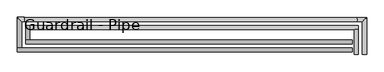
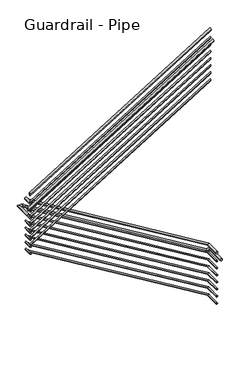
"""IFC4 building model written with IfcOpenShell, lengths in millimetres: railing geometry, Guardrail - Pipe."""

from ifc_helpers import new_model, si_unit, frame, origin, place, context, project, spatial, circle_curve, ellipse_curve, source, transform, mapped, element, save
from ifc_brep_helpers import plane_surface, cylinder_surface, advanced_brep


def guardrail_pipe_6fe1325a(model_context):
    return source(origin(), model_context, "Body", "AdvancedBrep", [
        advanced_brep(
        [(-10536.8064309, 2520.2151259, 1047.75), (-10574.9064309, 2520.2151259, 1047.75), (-10536.8064309, 2755.1651259, 1047.75), (-10574.9064309, 2755.1651259, 1047.75)],
        [
            (0, 1, circle_curve(frame((-10555.8564309, 2520.2151259, 1047.75), z_axis=(0.0, -1.0, 0.0), x_axis=(-1.0, 0.0, 0.0)), 19.05)),
            (1, 0, circle_curve(frame((-10555.8564309, 2520.2151259, 1047.75), z_axis=(0.0, -1.0, 0.0), x_axis=(-1.0, 0.0, 0.0)), 19.05)),
            (2, 3, circle_curve(frame((-10555.8564309, 2755.1651259, 1047.75), z_axis=(0.0, 1.0, 0.0), x_axis=(-1.0, 0.0, 0.0)), 19.05)),
            (3, 2, circle_curve(frame((-10555.8564309, 2755.1651259, 1047.75), z_axis=(0.0, 1.0, 0.0), x_axis=(-1.0, 0.0, 0.0)), 19.05)),
            (0, 2),
            (3, 1),
        ],
        [
            plane_surface(frame((-10555.8564309, 2520.2151259, 1066.8), z_axis=(0.0, -1.0, 0.0), x_axis=(0.0, 0.0, 1.0))),
            plane_surface(frame((-10555.8564309, 2755.1651259, 1066.8), z_axis=(0.0, 1.0, 0.0), x_axis=(0.0, 0.0, 1.0))),
            cylinder_surface(frame((-10555.8564309, 2520.2151259, 1047.75), z_axis=(0.0, -1.0, 0.0), x_axis=(-1.0, 0.0, 0.0)), 19.05),
        ],
        [
            (0, [[1, 2]]),
            (1, [[3, 4]]),
            (2, [[-1, 5, -4, 6]]),
            (2, [[-2, -6, -3, -5]]),
        ],
    ),
        advanced_brep(
        [(-10536.8064309, 2793.2651259, 1038.509645), (-10536.8064309, 2755.1651259, 1038.509645), (-13625.9612561, 2793.2651259, 2912.6127242), (-13625.9612561, 2755.1651259, 2912.6127242)],
        [
            (0, 1, ellipse_curve(frame((-10536.8064309, 2774.2151259, 1038.509645), z_axis=(1.0, 0.0, 0.0), x_axis=(0.0, 0.0, -1.0)), 22.2815844, 19.05)),
            (1, 0, ellipse_curve(frame((-10536.8064309, 2774.2151259, 1038.509645), z_axis=(1.0, 0.0, 0.0), x_axis=(0.0, 0.0, -1.0)), 22.2815844, 19.05)),
            (2, 3, ellipse_curve(frame((-13625.9612561, 2774.2151259, 2912.6127242), z_axis=(-1.0, 0.0, 0.0), x_axis=(0.0, 0.0, -1.0)), 22.2815844, 19.05)),
            (3, 2, ellipse_curve(frame((-13625.9612561, 2774.2151259, 2912.6127242), z_axis=(-1.0, 0.0, 0.0), x_axis=(0.0, 0.0, -1.0)), 22.2815844, 19.05)),
            (0, 2),
            (3, 1),
        ],
        [
            plane_surface(frame((-10536.8064309, 2774.2151259, 1060.7912294), z_axis=(1.0, 0.0, 0.0), x_axis=(0.0, -1.0, 0.0))),
            plane_surface(frame((-13625.9612561, 2774.2151259, 2934.8943086), z_axis=(-1.0, 0.0, 0.0), x_axis=(0.0, -1.0, 0.0))),
            cylinder_surface(frame((-10546.6873579, 2774.2151259, 1044.5041246), z_axis=(0.8549661303545566, 0.0, -0.5186838304271258), x_axis=(0.0, -1.0, 0.0)), 19.05),
        ],
        [
            (0, [[1, 2]]),
            (1, [[3, 4]]),
            (2, [[-1, 5, -4, 6]]),
            (2, [[-2, -6, -3, -5]]),
        ],
    ),
        advanced_brep(
        [(-13664.0612561, 2793.2651259, 2942.8108696), (-13625.9612561, 2793.2651259, 2942.8108696), (-13664.0612561, 2656.0904418, 2942.8108696), (-13625.9612561, 2656.0904418, 2942.8108696)],
        [
            (0, 1, circle_curve(frame((-13645.0112561, 2793.2651259, 2942.8108696), z_axis=(0.0, 1.0, 0.0), x_axis=(1.0, 0.0, 0.0)), 19.05)),
            (1, 0, circle_curve(frame((-13645.0112561, 2793.2651259, 2942.8108696), z_axis=(0.0, 1.0, 0.0), x_axis=(1.0, 0.0, 0.0)), 19.05)),
            (2, 3, circle_curve(frame((-13645.0112561, 2656.0904418, 2942.8108696), z_axis=(0.0, -1.0, 0.0), x_axis=(1.0, 0.0, 0.0)), 19.05)),
            (3, 2, circle_curve(frame((-13645.0112561, 2656.0904418, 2942.8108696), z_axis=(0.0, -1.0, 0.0), x_axis=(1.0, 0.0, 0.0)), 19.05)),
            (0, 2),
            (3, 1),
        ],
        [
            plane_surface(frame((-13645.0112561, 2793.2651259, 2961.8608696), z_axis=(0.0, 1.0, 0.0), x_axis=(0.0, 0.0, -1.0))),
            plane_surface(frame((-13645.0112561, 2656.0904418, 2961.8608696), z_axis=(0.0, -1.0, 0.0), x_axis=(0.0, 0.0, -1.0))),
            cylinder_surface(frame((-13645.0112561, 2793.2651259, 2942.8108696), z_axis=(0.0, 1.0, 0.0), x_axis=(1.0, 0.0, 0.0)), 19.05),
        ],
        [
            (0, [[1, 2]]),
            (1, [[3, 4]]),
            (2, [[-1, 5, -4, 6]]),
            (2, [[-2, -6, -3, -5]]),
        ],
    ),
        advanced_brep(
        [(-13664.0612561, 2617.9904418, 3115.674269), (-13664.0612561, 2656.0904418, 3115.674269), (-10597.0112561, 2617.9904418, 5006.8197236), (-10597.0112561, 2656.0904418, 5006.8197236)],
        [
            (0, 1, ellipse_curve(frame((-13664.0612561, 2637.0404418, 3115.674269), z_axis=(-1.0, 0.0, 0.0), x_axis=(0.0, 0.0, -1.0)), 22.3802764, 19.05)),
            (1, 0, ellipse_curve(frame((-13664.0612561, 2637.0404418, 3115.674269), z_axis=(-1.0, 0.0, 0.0), x_axis=(0.0, 0.0, -1.0)), 22.3802764, 19.05)),
            (2, 3, ellipse_curve(frame((-10597.0112561, 2637.0404418, 5006.8197236), z_axis=(1.0, 0.0, 0.0), x_axis=(0.0, 0.0, -1.0)), 22.3802764, 19.05)),
            (3, 2, ellipse_curve(frame((-10597.0112561, 2637.0404418, 5006.8197236), z_axis=(1.0, 0.0, 0.0), x_axis=(0.0, 0.0, -1.0)), 22.3802764, 19.05)),
            (0, 2),
            (3, 1),
        ],
        [
            plane_surface(frame((-13664.0612561, 2637.0404418, 3138.0545455), z_axis=(-1.0, 0.0, 0.0), x_axis=(0.0, 1.0, 0.0))),
            plane_surface(frame((-10597.0112561, 2637.0404418, 5029.2), z_axis=(1.0, 0.0, 0.0), x_axis=(0.0, 1.0, 0.0))),
            cylinder_surface(frame((-13654.0629003, 2637.0404418, 3121.8392632), z_axis=(-0.8511959207162862, 0.0, -0.5248480775957496), x_axis=(0.0, 1.0, 0.0)), 19.05),
        ],
        [
            (0, [[1, 2]]),
            (1, [[3, 4]]),
            (2, [[-1, 5, -4, 6]]),
            (2, [[-2, -6, -3, -5]]),
        ],
    ),
        advanced_brep(
        [(-10543.1564309, 2520.2151259, 901.7), (-10568.5564309, 2520.2151259, 901.7), (-10543.1564309, 2761.5151259, 901.7), (-10568.5564309, 2761.5151259, 901.7)],
        [
            (0, 1, circle_curve(frame((-10555.8564309, 2520.2151259, 901.7), z_axis=(0.0, -1.0, 0.0), x_axis=(-1.0, 0.0, 0.0)), 12.7)),
            (1, 0, circle_curve(frame((-10555.8564309, 2520.2151259, 901.7), z_axis=(0.0, -1.0, 0.0), x_axis=(-1.0, 0.0, 0.0)), 12.7)),
            (2, 3, circle_curve(frame((-10555.8564309, 2761.5151259, 901.7), z_axis=(0.0, 1.0, 0.0), x_axis=(-1.0, 0.0, 0.0)), 12.7)),
            (3, 2, circle_curve(frame((-10555.8564309, 2761.5151259, 901.7), z_axis=(0.0, 1.0, 0.0), x_axis=(-1.0, 0.0, 0.0)), 12.7)),
            (0, 2),
            (3, 1),
        ],
        [
            plane_surface(frame((-10555.8564309, 2520.2151259, 914.4), z_axis=(0.0, -1.0, 0.0), x_axis=(0.0, 0.0, 1.0))),
            plane_surface(frame((-10555.8564309, 2761.5151259, 914.4), z_axis=(0.0, 1.0, 0.0), x_axis=(0.0, 0.0, 1.0))),
            cylinder_surface(frame((-10555.8564309, 2520.2151259, 901.7), z_axis=(0.0, -1.0, 0.0), x_axis=(-1.0, 0.0, 0.0)), 12.7),
        ],
        [
            (0, [[1, 2]]),
            (1, [[3, 4]]),
            (2, [[-1, 5, -4, 6]]),
            (2, [[-2, -6, -3, -5]]),
        ],
    ),
        advanced_brep(
        [(-10543.1564309, 2786.9151259, 897.3892057), (-10543.1564309, 2761.5151259, 897.3892057), (-13632.3112561, 2786.9151259, 2771.4922849), (-13632.3112561, 2761.5151259, 2771.4922849)],
        [
            (0, 1, ellipse_curve(frame((-10543.1564309, 2774.2151259, 897.3892057), z_axis=(1.0, 0.0, 0.0), x_axis=(0.0, 0.0, -1.0)), 14.8543896, 12.7)),
            (1, 0, ellipse_curve(frame((-10543.1564309, 2774.2151259, 897.3892057), z_axis=(1.0, 0.0, 0.0), x_axis=(0.0, 0.0, -1.0)), 14.8543896, 12.7)),
            (2, 3, ellipse_curve(frame((-13632.3112561, 2774.2151259, 2771.4922849), z_axis=(-1.0, 0.0, 0.0), x_axis=(0.0, 0.0, -1.0)), 14.8543896, 12.7)),
            (3, 2, ellipse_curve(frame((-13632.3112561, 2774.2151259, 2771.4922849), z_axis=(-1.0, 0.0, 0.0), x_axis=(0.0, 0.0, -1.0)), 14.8543896, 12.7)),
            (0, 2),
            (3, 1),
        ],
        [
            plane_surface(frame((-10543.1564309, 2774.2151259, 912.2435953), z_axis=(1.0, 0.0, 0.0), x_axis=(0.0, -1.0, 0.0))),
            plane_surface(frame((-13632.3112561, 2774.2151259, 2786.3466745), z_axis=(-1.0, 0.0, 0.0), x_axis=(0.0, -1.0, 0.0))),
            cylinder_surface(frame((-10549.7437156, 2774.2151259, 901.3855254), z_axis=(0.8549661303545566, 0.0, -0.5186838304271258), x_axis=(0.0, -1.0, 0.0)), 12.7),
        ],
        [
            (0, [[1, 2]]),
            (1, [[3, 4]]),
            (2, [[-1, 5, -4, 6]]),
            (2, [[-2, -6, -3, -5]]),
        ],
    ),
        advanced_brep(
        [(-13657.7112561, 2786.9151259, 2796.7608696), (-13632.3112561, 2786.9151259, 2796.7608696), (-13657.7112561, 2649.7404418, 2796.7608696), (-13632.3112561, 2649.7404418, 2796.7608696)],
        [
            (0, 1, circle_curve(frame((-13645.0112561, 2786.9151259, 2796.7608696), z_axis=(0.0, 1.0, 0.0), x_axis=(1.0, 0.0, 0.0)), 12.7)),
            (1, 0, circle_curve(frame((-13645.0112561, 2786.9151259, 2796.7608696), z_axis=(0.0, 1.0, 0.0), x_axis=(1.0, 0.0, 0.0)), 12.7)),
            (2, 3, circle_curve(frame((-13645.0112561, 2649.7404418, 2796.7608696), z_axis=(0.0, -1.0, 0.0), x_axis=(1.0, 0.0, 0.0)), 12.7)),
            (3, 2, circle_curve(frame((-13645.0112561, 2649.7404418, 2796.7608696), z_axis=(0.0, -1.0, 0.0), x_axis=(1.0, 0.0, 0.0)), 12.7)),
            (0, 2),
            (3, 1),
        ],
        [
            plane_surface(frame((-13645.0112561, 2786.9151259, 2809.4608696), z_axis=(0.0, 1.0, 0.0), x_axis=(0.0, 0.0, -1.0))),
            plane_surface(frame((-13645.0112561, 2649.7404418, 2809.4608696), z_axis=(0.0, -1.0, 0.0), x_axis=(0.0, 0.0, -1.0))),
            cylinder_surface(frame((-13645.0112561, 2786.9151259, 2796.7608696), z_axis=(0.0, 1.0, 0.0), x_axis=(1.0, 0.0, 0.0)), 12.7),
        ],
        [
            (0, [[1, 2]]),
            (1, [[3, 4]]),
            (2, [[-1, 5, -4, 6]]),
            (2, [[-2, -6, -3, -5]]),
        ],
    ),
        advanced_brep(
        [(-13657.7112561, 2624.3404418, 2974.6497762), (-13657.7112561, 2649.7404418, 2974.6497762), (-10597.0112561, 2624.3404418, 4861.8798157), (-10597.0112561, 2649.7404418, 4861.8798157)],
        [
            (0, 1, ellipse_curve(frame((-13657.7112561, 2637.0404418, 2974.6497762), z_axis=(-1.0, 0.0, 0.0), x_axis=(0.0, 0.0, -1.0)), 14.9201843, 12.7)),
            (1, 0, ellipse_curve(frame((-13657.7112561, 2637.0404418, 2974.6497762), z_axis=(-1.0, 0.0, 0.0), x_axis=(0.0, 0.0, -1.0)), 14.9201843, 12.7)),
            (2, 3, ellipse_curve(frame((-10597.0112561, 2637.0404418, 4861.8798157), z_axis=(1.0, 0.0, 0.0), x_axis=(0.0, 0.0, -1.0)), 14.9201843, 12.7)),
            (3, 2, ellipse_curve(frame((-10597.0112561, 2637.0404418, 4861.8798157), z_axis=(1.0, 0.0, 0.0), x_axis=(0.0, 0.0, -1.0)), 14.9201843, 12.7)),
            (0, 2),
            (3, 1),
        ],
        [
            plane_surface(frame((-13657.7112561, 2637.0404418, 2989.5699605), z_axis=(-1.0, 0.0, 0.0), x_axis=(0.0, 1.0, 0.0))),
            plane_surface(frame((-10597.0112561, 2637.0404418, 4876.8), z_axis=(1.0, 0.0, 0.0), x_axis=(0.0, 1.0, 0.0))),
            cylinder_surface(frame((-13651.0456855, 2637.0404418, 2978.7597723), z_axis=(-0.8511959207162862, 0.0, -0.5248480775957496), x_axis=(0.0, 1.0, 0.0)), 12.7),
        ],
        [
            (0, [[1, 2]]),
            (1, [[3, 4]]),
            (2, [[-1, 5, -4, 6]]),
            (2, [[-2, -6, -3, -5]]),
        ],
    ),
        advanced_brep(
        [(-10460.6064309, 2520.2151259, 895.35), (-10498.7064309, 2520.2151259, 895.35), (-10460.6064309, 2869.4651259, 895.35), (-10498.7064309, 2831.3651259, 895.35), (-10552.0376568, 2869.4651259, 895.35), (-10552.0376568, 2831.3651259, 895.35), (-13675.7379987, 2869.4651259, 2790.4108696), (-13675.7379987, 2831.3651259, 2790.4108696), (-13740.2612561, 2869.4651259, 2790.4108696), (-13702.1612561, 2831.3651259, 2790.4108696), (-13740.2612561, 2579.8904418, 2790.4108696), (-13702.1612561, 2579.8904418, 2790.4108696)],
        [
            (0, 1, circle_curve(frame((-10479.6564309, 2520.2151259, 895.35), z_axis=(0.0, -1.0, 0.0), x_axis=(-1.0, 0.0, 0.0)), 19.05)),
            (1, 0, circle_curve(frame((-10479.6564309, 2520.2151259, 895.35), z_axis=(0.0, -1.0, 0.0), x_axis=(-1.0, 0.0, 0.0)), 19.05)),
            (0, 2),
            (2, 3, ellipse_curve(frame((-10479.6564309, 2850.4151259, 895.35), z_axis=(0.7071067811865462, -0.7071067811865488, 0.0), x_axis=(-0.7071067811865488, -0.7071067811865462, 0.0)), 26.9407684, 19.05)),
            (3, 1),
            (3, 2, ellipse_curve(frame((-10479.6564309, 2850.4151259, 895.35), z_axis=(0.7071067811865462, -0.7071067811865488, 0.0), x_axis=(-0.7071067811865488, -0.7071067811865462, 0.0)), 26.9407684, 19.05)),
            (2, 4),
            (4, 5, ellipse_curve(frame((-10552.0376568, 2850.4151259, 895.35), z_axis=(0.9630592220508967, 0.0, -0.269289685696875), x_axis=(0.2692896856968749, 0.0, 0.9630592220508967)), 19.780715, 19.05)),
            (5, 3),
            (5, 4, ellipse_curve(frame((-10552.0376568, 2850.4151259, 895.35), z_axis=(0.9630592220508967, 0.0, -0.269289685696875), x_axis=(0.2692896856968749, 0.0, 0.9630592220508967)), 19.780715, 19.05)),
            (4, 6),
            (6, 7, ellipse_curve(frame((-13675.7379987, 2850.4151259, 2790.4108696), z_axis=(0.9630592220508967, 0.0, -0.269289685696875), x_axis=(-0.2692896856968753, 0.0, -0.9630592220508964)), 19.780715, 19.05)),
            (7, 5),
            (7, 6, ellipse_curve(frame((-13675.7379987, 2850.4151259, 2790.4108696), z_axis=(0.9630592220508967, 0.0, -0.269289685696875), x_axis=(-0.2692896856968753, 0.0, -0.9630592220508964)), 19.780715, 19.05)),
            (6, 8),
            (8, 9, ellipse_curve(frame((-13721.2112561, 2850.4151259, 2790.4108696), z_axis=(0.7071067811865452, 0.7071067811865498, 0.0), x_axis=(0.7071067811865498, -0.7071067811865451, 0.0)), 26.9407684, 19.05)),
            (9, 7),
            (9, 8, ellipse_curve(frame((-13721.2112561, 2850.4151259, 2790.4108696), z_axis=(0.7071067811865452, 0.7071067811865498, 0.0), x_axis=(0.7071067811865498, -0.7071067811865451, 0.0)), 26.9407684, 19.05)),
            (10, 11, circle_curve(frame((-13721.2112561, 2579.8904418, 2790.4108696), z_axis=(0.0, -1.0, 0.0), x_axis=(1.0, 0.0, 0.0)), 19.05)),
            (11, 10, circle_curve(frame((-13721.2112561, 2579.8904418, 2790.4108696), z_axis=(0.0, -1.0, 0.0), x_axis=(1.0, 0.0, 0.0)), 19.05)),
            (8, 10),
            (11, 9),
        ],
        [
            plane_surface(frame((-10479.6564309, 2520.2151259, 914.4), z_axis=(0.0, -1.0, 0.0), x_axis=(0.0, 0.0, 1.0))),
            cylinder_surface(frame((-10479.6564309, 2520.2151259, 895.35), z_axis=(0.0, -1.0, 0.0), x_axis=(-1.0, 0.0, 0.0)), 19.05),
            cylinder_surface(frame((-10479.6564309, 2850.4151259, 895.35), z_axis=(1.0, 0.0, 0.0), x_axis=(0.0, -1.0, 0.0)), 19.05),
            cylinder_surface(frame((-10556.5918412, 2850.4151259, 898.1128952), z_axis=(0.8549661303545566, 0.0, -0.5186838304271258), x_axis=(0.0, -1.0, 0.0)), 19.05),
            cylinder_surface(frame((-13670.4112561, 2850.4151259, 2790.4108696), z_axis=(1.0, 0.0, 0.0), x_axis=(0.0, -1.0, 0.0)), 19.05),
            plane_surface(frame((-13721.2112561, 2579.8904418, 2809.4608696), z_axis=(0.0, -1.0, 0.0), x_axis=(0.0, 0.0, -1.0))),
            cylinder_surface(frame((-13721.2112561, 2850.4151259, 2790.4108696), z_axis=(0.0, 1.0, 0.0), x_axis=(1.0, 0.0, 0.0)), 19.05),
        ],
        [
            (0, [[1, 2]]),
            (1, [[-1, 3, 4, 5]]),
            (1, [[-2, -5, 6, -3]]),
            (2, [[-4, 7, 8, 9]]),
            (2, [[-6, -9, 10, -7]]),
            (3, [[-8, 11, 12, 13]]),
            (3, [[-10, -13, 14, -11]]),
            (4, [[-12, 15, 16, 17]]),
            (4, [[-14, -17, 18, -15]]),
            (5, [[19, 20]]),
            (6, [[-16, 21, -20, 22]]),
            (6, [[-18, -22, -19, -21]]),
        ],
    ),
        advanced_brep(
        [(-13740.2612561, 2541.7904418, 2916.2892888), (-13740.2612561, 2579.8904418, 2916.2892888), (-10597.0112561, 2541.7904418, 4854.4197236), (-10597.0112561, 2579.8904418, 4854.4197236)],
        [
            (0, 1, ellipse_curve(frame((-13740.2612561, 2560.8404418, 2916.2892888), z_axis=(-1.0, 0.0, 0.0), x_axis=(0.0, 0.0, -1.0)), 22.3802764, 19.05)),
            (1, 0, ellipse_curve(frame((-13740.2612561, 2560.8404418, 2916.2892888), z_axis=(-1.0, 0.0, 0.0), x_axis=(0.0, 0.0, -1.0)), 22.3802764, 19.05)),
            (2, 3, ellipse_curve(frame((-10597.0112561, 2560.8404418, 4854.4197236), z_axis=(1.0, 0.0, 0.0), x_axis=(0.0, 0.0, -1.0)), 22.3802764, 19.05)),
            (3, 2, ellipse_curve(frame((-10597.0112561, 2560.8404418, 4854.4197236), z_axis=(1.0, 0.0, 0.0), x_axis=(0.0, 0.0, -1.0)), 22.3802764, 19.05)),
            (0, 2),
            (3, 1),
        ],
        [
            plane_surface(frame((-13740.2612561, 2560.8404418, 2938.6695652), z_axis=(-1.0, 0.0, 0.0), x_axis=(0.0, 1.0, 0.0))),
            plane_surface(frame((-10597.0112561, 2560.8404418, 4876.8), z_axis=(1.0, 0.0, 0.0), x_axis=(0.0, 1.0, 0.0))),
            cylinder_surface(frame((-13730.2629003, 2560.8404418, 2922.4542829), z_axis=(-0.851195920716286, 0.0, -0.5248480775957498), x_axis=(0.0, 1.0, 0.0)), 19.05),
        ],
        [
            (0, [[1, 2]]),
            (1, [[3, 4]]),
            (2, [[-1, 5, -4, 6]]),
            (2, [[-2, -6, -3, -5]]),
        ],
    ),
        advanced_brep(
        [(-10543.1564309, 2520.2151259, 774.7), (-10568.5564309, 2520.2151259, 774.7), (-10543.1564309, 2761.5151259, 774.7), (-10568.5564309, 2761.5151259, 774.7)],
        [
            (0, 1, circle_curve(frame((-10555.8564309, 2520.2151259, 774.7), z_axis=(0.0, -1.0, 0.0), x_axis=(-1.0, 0.0, 0.0)), 12.7)),
            (1, 0, circle_curve(frame((-10555.8564309, 2520.2151259, 774.7), z_axis=(0.0, -1.0, 0.0), x_axis=(-1.0, 0.0, 0.0)), 12.7)),
            (2, 3, circle_curve(frame((-10555.8564309, 2761.5151259, 774.7), z_axis=(0.0, 1.0, 0.0), x_axis=(-1.0, 0.0, 0.0)), 12.7)),
            (3, 2, circle_curve(frame((-10555.8564309, 2761.5151259, 774.7), z_axis=(0.0, 1.0, 0.0), x_axis=(-1.0, 0.0, 0.0)), 12.7)),
            (0, 2),
            (3, 1),
        ],
        [
            plane_surface(frame((-10555.8564309, 2520.2151259, 787.4), z_axis=(0.0, -1.0, 0.0), x_axis=(0.0, 0.0, 1.0))),
            plane_surface(frame((-10555.8564309, 2761.5151259, 787.4), z_axis=(0.0, 1.0, 0.0), x_axis=(0.0, 0.0, 1.0))),
            cylinder_surface(frame((-10555.8564309, 2520.2151259, 774.7), z_axis=(0.0, -1.0, 0.0), x_axis=(-1.0, 0.0, 0.0)), 12.7),
        ],
        [
            (0, [[1, 2]]),
            (1, [[3, 4]]),
            (2, [[-1, 5, -4, 6]]),
            (2, [[-2, -6, -3, -5]]),
        ],
    ),
        advanced_brep(
        [(-10543.1564309, 2786.9151259, 770.3892057), (-10543.1564309, 2761.5151259, 770.3892057), (-13632.3112561, 2786.9151259, 2644.4922849), (-13632.3112561, 2761.5151259, 2644.4922849)],
        [
            (0, 1, ellipse_curve(frame((-10543.1564309, 2774.2151259, 770.3892057), z_axis=(1.0, 0.0, 0.0), x_axis=(0.0, 0.0, -1.0)), 14.8543896, 12.7)),
            (1, 0, ellipse_curve(frame((-10543.1564309, 2774.2151259, 770.3892057), z_axis=(1.0, 0.0, 0.0), x_axis=(0.0, 0.0, -1.0)), 14.8543896, 12.7)),
            (2, 3, ellipse_curve(frame((-13632.3112561, 2774.2151259, 2644.4922849), z_axis=(-1.0, 0.0, 0.0), x_axis=(0.0, 0.0, -1.0)), 14.8543896, 12.7)),
            (3, 2, ellipse_curve(frame((-13632.3112561, 2774.2151259, 2644.4922849), z_axis=(-1.0, 0.0, 0.0), x_axis=(0.0, 0.0, -1.0)), 14.8543896, 12.7)),
            (0, 2),
            (3, 1),
        ],
        [
            plane_surface(frame((-10543.1564309, 2774.2151259, 785.2435953), z_axis=(1.0, 0.0, 0.0), x_axis=(0.0, -1.0, 0.0))),
            plane_surface(frame((-13632.3112561, 2774.2151259, 2659.3466745), z_axis=(-1.0, 0.0, 0.0), x_axis=(0.0, -1.0, 0.0))),
            cylinder_surface(frame((-10549.7437156, 2774.2151259, 774.3855254), z_axis=(0.8549661303545567, 0.0, -0.5186838304271256), x_axis=(0.0, -1.0, 0.0)), 12.7),
        ],
        [
            (0, [[1, 2]]),
            (1, [[3, 4]]),
            (2, [[-1, 5, -4, 6]]),
            (2, [[-2, -6, -3, -5]]),
        ],
    ),
        advanced_brep(
        [(-13657.7112561, 2786.9151259, 2669.7608696), (-13632.3112561, 2786.9151259, 2669.7608696), (-13657.7112561, 2649.7404418, 2669.7608696), (-13632.3112561, 2649.7404418, 2669.7608696)],
        [
            (0, 1, circle_curve(frame((-13645.0112561, 2786.9151259, 2669.7608696), z_axis=(0.0, 1.0, 0.0), x_axis=(1.0, 0.0, 0.0)), 12.7)),
            (1, 0, circle_curve(frame((-13645.0112561, 2786.9151259, 2669.7608696), z_axis=(0.0, 1.0, 0.0), x_axis=(1.0, 0.0, 0.0)), 12.7)),
            (2, 3, circle_curve(frame((-13645.0112561, 2649.7404418, 2669.7608696), z_axis=(0.0, -1.0, 0.0), x_axis=(1.0, 0.0, 0.0)), 12.7)),
            (3, 2, circle_curve(frame((-13645.0112561, 2649.7404418, 2669.7608696), z_axis=(0.0, -1.0, 0.0), x_axis=(1.0, 0.0, 0.0)), 12.7)),
            (0, 2),
            (3, 1),
        ],
        [
            plane_surface(frame((-13645.0112561, 2786.9151259, 2682.4608696), z_axis=(0.0, 1.0, 0.0), x_axis=(0.0, 0.0, -1.0))),
            plane_surface(frame((-13645.0112561, 2649.7404418, 2682.4608696), z_axis=(0.0, -1.0, 0.0), x_axis=(0.0, 0.0, -1.0))),
            cylinder_surface(frame((-13645.0112561, 2786.9151259, 2669.7608696), z_axis=(0.0, 1.0, 0.0), x_axis=(1.0, 0.0, 0.0)), 12.7),
        ],
        [
            (0, [[1, 2]]),
            (1, [[3, 4]]),
            (2, [[-1, 5, -4, 6]]),
            (2, [[-2, -6, -3, -5]]),
        ],
    ),
        advanced_brep(
        [(-13657.7112561, 2624.3404418, 2847.6497762), (-13657.7112561, 2649.7404418, 2847.6497762), (-10597.0112561, 2624.3404418, 4734.8798157), (-10597.0112561, 2649.7404418, 4734.8798157)],
        [
            (0, 1, ellipse_curve(frame((-13657.7112561, 2637.0404418, 2847.6497762), z_axis=(-1.0, 0.0, 0.0), x_axis=(0.0, 0.0, -1.0)), 14.9201843, 12.7)),
            (1, 0, ellipse_curve(frame((-13657.7112561, 2637.0404418, 2847.6497762), z_axis=(-1.0, 0.0, 0.0), x_axis=(0.0, 0.0, -1.0)), 14.9201843, 12.7)),
            (2, 3, ellipse_curve(frame((-10597.0112561, 2637.0404418, 4734.8798157), z_axis=(1.0, 0.0, 0.0), x_axis=(0.0, 0.0, -1.0)), 14.9201843, 12.7)),
            (3, 2, ellipse_curve(frame((-10597.0112561, 2637.0404418, 4734.8798157), z_axis=(1.0, 0.0, 0.0), x_axis=(0.0, 0.0, -1.0)), 14.9201843, 12.7)),
            (0, 2),
            (3, 1),
        ],
        [
            plane_surface(frame((-13657.7112561, 2637.0404418, 2862.5699605), z_axis=(-1.0, 0.0, 0.0), x_axis=(0.0, 1.0, 0.0))),
            plane_surface(frame((-10597.0112561, 2637.0404418, 4749.8), z_axis=(1.0, 0.0, 0.0), x_axis=(0.0, 1.0, 0.0))),
            cylinder_surface(frame((-13651.0456855, 2637.0404418, 2851.7597723), z_axis=(-0.8511959207162862, 0.0, -0.5248480775957495), x_axis=(0.0, 1.0, 0.0)), 12.7),
        ],
        [
            (0, [[1, 2]]),
            (1, [[3, 4]]),
            (2, [[-1, 5, -4, 6]]),
            (2, [[-2, -6, -3, -5]]),
        ],
    ),
        advanced_brep(
        [(-10543.1564309, 2520.2151259, 647.7), (-10568.5564309, 2520.2151259, 647.7), (-10543.1564309, 2761.5151259, 647.7), (-10568.5564309, 2761.5151259, 647.7)],
        [
            (0, 1, circle_curve(frame((-10555.8564309, 2520.2151259, 647.7), z_axis=(0.0, -1.0, 0.0), x_axis=(-1.0, 0.0, 0.0)), 12.7)),
            (1, 0, circle_curve(frame((-10555.8564309, 2520.2151259, 647.7), z_axis=(0.0, -1.0, 0.0), x_axis=(-1.0, 0.0, 0.0)), 12.7)),
            (2, 3, circle_curve(frame((-10555.8564309, 2761.5151259, 647.7), z_axis=(0.0, 1.0, 0.0), x_axis=(-1.0, 0.0, 0.0)), 12.7)),
            (3, 2, circle_curve(frame((-10555.8564309, 2761.5151259, 647.7), z_axis=(0.0, 1.0, 0.0), x_axis=(-1.0, 0.0, 0.0)), 12.7)),
            (0, 2),
            (3, 1),
        ],
        [
            plane_surface(frame((-10555.8564309, 2520.2151259, 660.4), z_axis=(0.0, -1.0, 0.0), x_axis=(0.0, 0.0, 1.0))),
            plane_surface(frame((-10555.8564309, 2761.5151259, 660.4), z_axis=(0.0, 1.0, 0.0), x_axis=(0.0, 0.0, 1.0))),
            cylinder_surface(frame((-10555.8564309, 2520.2151259, 647.7), z_axis=(0.0, -1.0, 0.0), x_axis=(-1.0, 0.0, 0.0)), 12.7),
        ],
        [
            (0, [[1, 2]]),
            (1, [[3, 4]]),
            (2, [[-1, 5, -4, 6]]),
            (2, [[-2, -6, -3, -5]]),
        ],
    ),
        advanced_brep(
        [(-10543.1564309, 2786.9151259, 643.3892057), (-10543.1564309, 2761.5151259, 643.3892057), (-13632.3112561, 2786.9151259, 2517.4922849), (-13632.3112561, 2761.5151259, 2517.4922849)],
        [
            (0, 1, ellipse_curve(frame((-10543.1564309, 2774.2151259, 643.3892057), z_axis=(1.0, 0.0, 0.0), x_axis=(0.0, 0.0, -1.0)), 14.8543896, 12.7)),
            (1, 0, ellipse_curve(frame((-10543.1564309, 2774.2151259, 643.3892057), z_axis=(1.0, 0.0, 0.0), x_axis=(0.0, 0.0, -1.0)), 14.8543896, 12.7)),
            (2, 3, ellipse_curve(frame((-13632.3112561, 2774.2151259, 2517.4922849), z_axis=(-1.0, 0.0, 0.0), x_axis=(0.0, 0.0, -1.0)), 14.8543896, 12.7)),
            (3, 2, ellipse_curve(frame((-13632.3112561, 2774.2151259, 2517.4922849), z_axis=(-1.0, 0.0, 0.0), x_axis=(0.0, 0.0, -1.0)), 14.8543896, 12.7)),
            (0, 2),
            (3, 1),
        ],
        [
            plane_surface(frame((-10543.1564309, 2774.2151259, 658.2435953), z_axis=(1.0, 0.0, 0.0), x_axis=(0.0, -1.0, 0.0))),
            plane_surface(frame((-13632.3112561, 2774.2151259, 2532.3466745), z_axis=(-1.0, 0.0, 0.0), x_axis=(0.0, -1.0, 0.0))),
            cylinder_surface(frame((-10549.7437156, 2774.2151259, 647.3855254), z_axis=(0.8549661303545567, 0.0, -0.5186838304271257), x_axis=(0.0, -1.0, 0.0)), 12.7),
        ],
        [
            (0, [[1, 2]]),
            (1, [[3, 4]]),
            (2, [[-1, 5, -4, 6]]),
            (2, [[-2, -6, -3, -5]]),
        ],
    ),
        advanced_brep(
        [(-13657.7112561, 2786.9151259, 2542.7608696), (-13632.3112561, 2786.9151259, 2542.7608696), (-13657.7112561, 2649.7404418, 2542.7608696), (-13632.3112561, 2649.7404418, 2542.7608696)],
        [
            (0, 1, circle_curve(frame((-13645.0112561, 2786.9151259, 2542.7608696), z_axis=(0.0, 1.0, 0.0), x_axis=(1.0, 0.0, 0.0)), 12.7)),
            (1, 0, circle_curve(frame((-13645.0112561, 2786.9151259, 2542.7608696), z_axis=(0.0, 1.0, 0.0), x_axis=(1.0, 0.0, 0.0)), 12.7)),
            (2, 3, circle_curve(frame((-13645.0112561, 2649.7404418, 2542.7608696), z_axis=(0.0, -1.0, 0.0), x_axis=(1.0, 0.0, 0.0)), 12.7)),
            (3, 2, circle_curve(frame((-13645.0112561, 2649.7404418, 2542.7608696), z_axis=(0.0, -1.0, 0.0), x_axis=(1.0, 0.0, 0.0)), 12.7)),
            (0, 2),
            (3, 1),
        ],
        [
            plane_surface(frame((-13645.0112561, 2786.9151259, 2555.4608696), z_axis=(0.0, 1.0, 0.0), x_axis=(0.0, 0.0, -1.0))),
            plane_surface(frame((-13645.0112561, 2649.7404418, 2555.4608696), z_axis=(0.0, -1.0, 0.0), x_axis=(0.0, 0.0, -1.0))),
            cylinder_surface(frame((-13645.0112561, 2786.9151259, 2542.7608696), z_axis=(0.0, 1.0, 0.0), x_axis=(1.0, 0.0, 0.0)), 12.7),
        ],
        [
            (0, [[1, 2]]),
            (1, [[3, 4]]),
            (2, [[-1, 5, -4, 6]]),
            (2, [[-2, -6, -3, -5]]),
        ],
    ),
        advanced_brep(
        [(-13657.7112561, 2624.3404418, 2720.6497762), (-13657.7112561, 2649.7404418, 2720.6497762), (-10597.0112561, 2624.3404418, 4607.8798157), (-10597.0112561, 2649.7404418, 4607.8798157)],
        [
            (0, 1, ellipse_curve(frame((-13657.7112561, 2637.0404418, 2720.6497762), z_axis=(-1.0, 0.0, 0.0), x_axis=(0.0, 0.0, -1.0)), 14.9201843, 12.7)),
            (1, 0, ellipse_curve(frame((-13657.7112561, 2637.0404418, 2720.6497762), z_axis=(-1.0, 0.0, 0.0), x_axis=(0.0, 0.0, -1.0)), 14.9201843, 12.7)),
            (2, 3, ellipse_curve(frame((-10597.0112561, 2637.0404418, 4607.8798157), z_axis=(1.0, 0.0, 0.0), x_axis=(0.0, 0.0, -1.0)), 14.9201843, 12.7)),
            (3, 2, ellipse_curve(frame((-10597.0112561, 2637.0404418, 4607.8798157), z_axis=(1.0, 0.0, 0.0), x_axis=(0.0, 0.0, -1.0)), 14.9201843, 12.7)),
            (0, 2),
            (3, 1),
        ],
        [
            plane_surface(frame((-13657.7112561, 2637.0404418, 2735.5699605), z_axis=(-1.0, 0.0, 0.0), x_axis=(0.0, 1.0, 0.0))),
            plane_surface(frame((-10597.0112561, 2637.0404418, 4622.8), z_axis=(1.0, 0.0, 0.0), x_axis=(0.0, 1.0, 0.0))),
            cylinder_surface(frame((-13651.0456855, 2637.0404418, 2724.7597723), z_axis=(-0.8511959207162862, 0.0, -0.5248480775957496), x_axis=(0.0, 1.0, 0.0)), 12.7),
        ],
        [
            (0, [[1, 2]]),
            (1, [[3, 4]]),
            (2, [[-1, 5, -4, 6]]),
            (2, [[-2, -6, -3, -5]]),
        ],
    ),
        advanced_brep(
        [(-10543.1564309, 2520.2151259, 520.7), (-10568.5564309, 2520.2151259, 520.7), (-10543.1564309, 2761.5151259, 520.7), (-10568.5564309, 2761.5151259, 520.7)],
        [
            (0, 1, circle_curve(frame((-10555.8564309, 2520.2151259, 520.7), z_axis=(0.0, -1.0, 0.0), x_axis=(-1.0, 0.0, 0.0)), 12.7)),
            (1, 0, circle_curve(frame((-10555.8564309, 2520.2151259, 520.7), z_axis=(0.0, -1.0, 0.0), x_axis=(-1.0, 0.0, 0.0)), 12.7)),
            (2, 3, circle_curve(frame((-10555.8564309, 2761.5151259, 520.7), z_axis=(0.0, 1.0, 0.0), x_axis=(-1.0, 0.0, 0.0)), 12.7)),
            (3, 2, circle_curve(frame((-10555.8564309, 2761.5151259, 520.7), z_axis=(0.0, 1.0, 0.0), x_axis=(-1.0, 0.0, 0.0)), 12.7)),
            (0, 2),
            (3, 1),
        ],
        [
            plane_surface(frame((-10555.8564309, 2520.2151259, 533.4), z_axis=(0.0, -1.0, 0.0), x_axis=(0.0, 0.0, 1.0))),
            plane_surface(frame((-10555.8564309, 2761.5151259, 533.4), z_axis=(0.0, 1.0, 0.0), x_axis=(0.0, 0.0, 1.0))),
            cylinder_surface(frame((-10555.8564309, 2520.2151259, 520.7), z_axis=(0.0, -1.0, 0.0), x_axis=(-1.0, 0.0, 0.0)), 12.7),
        ],
        [
            (0, [[1, 2]]),
            (1, [[3, 4]]),
            (2, [[-1, 5, -4, 6]]),
            (2, [[-2, -6, -3, -5]]),
        ],
    ),
        advanced_brep(
        [(-10543.1564309, 2786.9151259, 516.3892057), (-10543.1564309, 2761.5151259, 516.3892057), (-13632.3112561, 2786.9151259, 2390.4922849), (-13632.3112561, 2761.5151259, 2390.4922849)],
        [
            (0, 1, ellipse_curve(frame((-10543.1564309, 2774.2151259, 516.3892057), z_axis=(1.0, 0.0, 0.0), x_axis=(0.0, 0.0, -1.0)), 14.8543896, 12.7)),
            (1, 0, ellipse_curve(frame((-10543.1564309, 2774.2151259, 516.3892057), z_axis=(1.0, 0.0, 0.0), x_axis=(0.0, 0.0, -1.0)), 14.8543896, 12.7)),
            (2, 3, ellipse_curve(frame((-13632.3112561, 2774.2151259, 2390.4922849), z_axis=(-1.0, 0.0, 0.0), x_axis=(0.0, 0.0, -1.0)), 14.8543896, 12.7)),
            (3, 2, ellipse_curve(frame((-13632.3112561, 2774.2151259, 2390.4922849), z_axis=(-1.0, 0.0, 0.0), x_axis=(0.0, 0.0, -1.0)), 14.8543896, 12.7)),
            (0, 2),
            (3, 1),
        ],
        [
            plane_surface(frame((-10543.1564309, 2774.2151259, 531.2435953), z_axis=(1.0, 0.0, 0.0), x_axis=(0.0, -1.0, 0.0))),
            plane_surface(frame((-13632.3112561, 2774.2151259, 2405.3466745), z_axis=(-1.0, 0.0, 0.0), x_axis=(0.0, -1.0, 0.0))),
            cylinder_surface(frame((-10549.7437156, 2774.2151259, 520.3855254), z_axis=(0.8549661303545566, 0.0, -0.5186838304271258), x_axis=(0.0, -1.0, 0.0)), 12.7),
        ],
        [
            (0, [[1, 2]]),
            (1, [[3, 4]]),
            (2, [[-1, 5, -4, 6]]),
            (2, [[-2, -6, -3, -5]]),
        ],
    ),
        advanced_brep(
        [(-13657.7112561, 2786.9151259, 2415.7608696), (-13632.3112561, 2786.9151259, 2415.7608696), (-13657.7112561, 2649.7404418, 2415.7608696), (-13632.3112561, 2649.7404418, 2415.7608696)],
        [
            (0, 1, circle_curve(frame((-13645.0112561, 2786.9151259, 2415.7608696), z_axis=(0.0, 1.0, 0.0), x_axis=(1.0, 0.0, 0.0)), 12.7)),
            (1, 0, circle_curve(frame((-13645.0112561, 2786.9151259, 2415.7608696), z_axis=(0.0, 1.0, 0.0), x_axis=(1.0, 0.0, 0.0)), 12.7)),
            (2, 3, circle_curve(frame((-13645.0112561, 2649.7404418, 2415.7608696), z_axis=(0.0, -1.0, 0.0), x_axis=(1.0, 0.0, 0.0)), 12.7)),
            (3, 2, circle_curve(frame((-13645.0112561, 2649.7404418, 2415.7608696), z_axis=(0.0, -1.0, 0.0), x_axis=(1.0, 0.0, 0.0)), 12.7)),
            (0, 2),
            (3, 1),
        ],
        [
            plane_surface(frame((-13645.0112561, 2786.9151259, 2428.4608696), z_axis=(0.0, 1.0, 0.0), x_axis=(0.0, 0.0, -1.0))),
            plane_surface(frame((-13645.0112561, 2649.7404418, 2428.4608696), z_axis=(0.0, -1.0, 0.0), x_axis=(0.0, 0.0, -1.0))),
            cylinder_surface(frame((-13645.0112561, 2786.9151259, 2415.7608696), z_axis=(0.0, 1.0, 0.0), x_axis=(1.0, 0.0, 0.0)), 12.7),
        ],
        [
            (0, [[1, 2]]),
            (1, [[3, 4]]),
            (2, [[-1, 5, -4, 6]]),
            (2, [[-2, -6, -3, -5]]),
        ],
    ),
        advanced_brep(
        [(-13657.7112561, 2624.3404418, 2593.6497762), (-13657.7112561, 2649.7404418, 2593.6497762), (-10597.0112561, 2624.3404418, 4480.8798157), (-10597.0112561, 2649.7404418, 4480.8798157)],
        [
            (0, 1, ellipse_curve(frame((-13657.7112561, 2637.0404418, 2593.6497762), z_axis=(-1.0, 0.0, 0.0), x_axis=(0.0, 0.0, -1.0)), 14.9201843, 12.7)),
            (1, 0, ellipse_curve(frame((-13657.7112561, 2637.0404418, 2593.6497762), z_axis=(-1.0, 0.0, 0.0), x_axis=(0.0, 0.0, -1.0)), 14.9201843, 12.7)),
            (2, 3, ellipse_curve(frame((-10597.0112561, 2637.0404418, 4480.8798157), z_axis=(1.0, 0.0, 0.0), x_axis=(0.0, 0.0, -1.0)), 14.9201843, 12.7)),
            (3, 2, ellipse_curve(frame((-10597.0112561, 2637.0404418, 4480.8798157), z_axis=(1.0, 0.0, 0.0), x_axis=(0.0, 0.0, -1.0)), 14.9201843, 12.7)),
            (0, 2),
            (3, 1),
        ],
        [
            plane_surface(frame((-13657.7112561, 2637.0404418, 2608.5699605), z_axis=(-1.0, 0.0, 0.0), x_axis=(0.0, 1.0, 0.0))),
            plane_surface(frame((-10597.0112561, 2637.0404418, 4495.8), z_axis=(1.0, 0.0, 0.0), x_axis=(0.0, 1.0, 0.0))),
            cylinder_surface(frame((-13651.0456855, 2637.0404418, 2597.7597723), z_axis=(-0.8511959207162862, 0.0, -0.5248480775957496), x_axis=(0.0, 1.0, 0.0)), 12.7),
        ],
        [
            (0, [[1, 2]]),
            (1, [[3, 4]]),
            (2, [[-1, 5, -4, 6]]),
            (2, [[-2, -6, -3, -5]]),
        ],
    ),
        advanced_brep(
        [(-10543.1564309, 2520.2151259, 393.7), (-10568.5564309, 2520.2151259, 393.7), (-10543.1564309, 2761.5151259, 393.7), (-10568.5564309, 2761.5151259, 393.7)],
        [
            (0, 1, circle_curve(frame((-10555.8564309, 2520.2151259, 393.7), z_axis=(0.0, -1.0, 0.0), x_axis=(-1.0, 0.0, 0.0)), 12.7)),
            (1, 0, circle_curve(frame((-10555.8564309, 2520.2151259, 393.7), z_axis=(0.0, -1.0, 0.0), x_axis=(-1.0, 0.0, 0.0)), 12.7)),
            (2, 3, circle_curve(frame((-10555.8564309, 2761.5151259, 393.7), z_axis=(0.0, 1.0, 0.0), x_axis=(-1.0, 0.0, 0.0)), 12.7)),
            (3, 2, circle_curve(frame((-10555.8564309, 2761.5151259, 393.7), z_axis=(0.0, 1.0, 0.0), x_axis=(-1.0, 0.0, 0.0)), 12.7)),
            (0, 2),
            (3, 1),
        ],
        [
            plane_surface(frame((-10555.8564309, 2520.2151259, 406.4), z_axis=(0.0, -1.0, 0.0), x_axis=(0.0, 0.0, 1.0))),
            plane_surface(frame((-10555.8564309, 2761.5151259, 406.4), z_axis=(0.0, 1.0, 0.0), x_axis=(0.0, 0.0, 1.0))),
            cylinder_surface(frame((-10555.8564309, 2520.2151259, 393.7), z_axis=(0.0, -1.0, 0.0), x_axis=(-1.0, 0.0, 0.0)), 12.7),
        ],
        [
            (0, [[1, 2]]),
            (1, [[3, 4]]),
            (2, [[-1, 5, -4, 6]]),
            (2, [[-2, -6, -3, -5]]),
        ],
    ),
        advanced_brep(
        [(-10543.1564309, 2786.9151259, 389.3892057), (-10543.1564309, 2761.5151259, 389.3892057), (-13632.3112561, 2786.9151259, 2263.4922849), (-13632.3112561, 2761.5151259, 2263.4922849)],
        [
            (0, 1, ellipse_curve(frame((-10543.1564309, 2774.2151259, 389.3892057), z_axis=(1.0, 0.0, 0.0), x_axis=(0.0, 0.0, -1.0)), 14.8543896, 12.7)),
            (1, 0, ellipse_curve(frame((-10543.1564309, 2774.2151259, 389.3892057), z_axis=(1.0, 0.0, 0.0), x_axis=(0.0, 0.0, -1.0)), 14.8543896, 12.7)),
            (2, 3, ellipse_curve(frame((-13632.3112561, 2774.2151259, 2263.4922849), z_axis=(-1.0, 0.0, 0.0), x_axis=(0.0, 0.0, -1.0)), 14.8543896, 12.7)),
            (3, 2, ellipse_curve(frame((-13632.3112561, 2774.2151259, 2263.4922849), z_axis=(-1.0, 0.0, 0.0), x_axis=(0.0, 0.0, -1.0)), 14.8543896, 12.7)),
            (0, 2),
            (3, 1),
        ],
        [
            plane_surface(frame((-10543.1564309, 2774.2151259, 404.2435953), z_axis=(1.0, 0.0, 0.0), x_axis=(0.0, -1.0, 0.0))),
            plane_surface(frame((-13632.3112561, 2774.2151259, 2278.3466745), z_axis=(-1.0, 0.0, 0.0), x_axis=(0.0, -1.0, 0.0))),
            cylinder_surface(frame((-10549.7437156, 2774.2151259, 393.3855254), z_axis=(0.8549661303545566, 0.0, -0.5186838304271258), x_axis=(0.0, -1.0, 0.0)), 12.7),
        ],
        [
            (0, [[1, 2]]),
            (1, [[3, 4]]),
            (2, [[-1, 5, -4, 6]]),
            (2, [[-2, -6, -3, -5]]),
        ],
    ),
        advanced_brep(
        [(-13657.7112561, 2786.9151259, 2288.7608696), (-13632.3112561, 2786.9151259, 2288.7608696), (-13657.7112561, 2649.7404418, 2288.7608696), (-13632.3112561, 2649.7404418, 2288.7608696)],
        [
            (0, 1, circle_curve(frame((-13645.0112561, 2786.9151259, 2288.7608696), z_axis=(0.0, 1.0, 0.0), x_axis=(1.0, 0.0, 0.0)), 12.7)),
            (1, 0, circle_curve(frame((-13645.0112561, 2786.9151259, 2288.7608696), z_axis=(0.0, 1.0, 0.0), x_axis=(1.0, 0.0, 0.0)), 12.7)),
            (2, 3, circle_curve(frame((-13645.0112561, 2649.7404418, 2288.7608696), z_axis=(0.0, -1.0, 0.0), x_axis=(1.0, 0.0, 0.0)), 12.7)),
            (3, 2, circle_curve(frame((-13645.0112561, 2649.7404418, 2288.7608696), z_axis=(0.0, -1.0, 0.0), x_axis=(1.0, 0.0, 0.0)), 12.7)),
            (0, 2),
            (3, 1),
        ],
        [
            plane_surface(frame((-13645.0112561, 2786.9151259, 2301.4608696), z_axis=(0.0, 1.0, 0.0), x_axis=(0.0, 0.0, -1.0))),
            plane_surface(frame((-13645.0112561, 2649.7404418, 2301.4608696), z_axis=(0.0, -1.0, 0.0), x_axis=(0.0, 0.0, -1.0))),
            cylinder_surface(frame((-13645.0112561, 2786.9151259, 2288.7608696), z_axis=(0.0, 1.0, 0.0), x_axis=(1.0, 0.0, 0.0)), 12.7),
        ],
        [
            (0, [[1, 2]]),
            (1, [[3, 4]]),
            (2, [[-1, 5, -4, 6]]),
            (2, [[-2, -6, -3, -5]]),
        ],
    ),
        advanced_brep(
        [(-13657.7112561, 2624.3404418, 2466.6497762), (-13657.7112561, 2649.7404418, 2466.6497762), (-10597.0112561, 2624.3404418, 4353.8798157), (-10597.0112561, 2649.7404418, 4353.8798157)],
        [
            (0, 1, ellipse_curve(frame((-13657.7112561, 2637.0404418, 2466.6497762), z_axis=(-1.0, 0.0, 0.0), x_axis=(0.0, 0.0, -1.0)), 14.9201843, 12.7)),
            (1, 0, ellipse_curve(frame((-13657.7112561, 2637.0404418, 2466.6497762), z_axis=(-1.0, 0.0, 0.0), x_axis=(0.0, 0.0, -1.0)), 14.9201843, 12.7)),
            (2, 3, ellipse_curve(frame((-10597.0112561, 2637.0404418, 4353.8798157), z_axis=(1.0, 0.0, 0.0), x_axis=(0.0, 0.0, -1.0)), 14.9201843, 12.7)),
            (3, 2, ellipse_curve(frame((-10597.0112561, 2637.0404418, 4353.8798157), z_axis=(1.0, 0.0, 0.0), x_axis=(0.0, 0.0, -1.0)), 14.9201843, 12.7)),
            (0, 2),
            (3, 1),
        ],
        [
            plane_surface(frame((-13657.7112561, 2637.0404418, 2481.5699605), z_axis=(-1.0, 0.0, 0.0), x_axis=(0.0, 1.0, 0.0))),
            plane_surface(frame((-10597.0112561, 2637.0404418, 4368.8), z_axis=(1.0, 0.0, 0.0), x_axis=(0.0, 1.0, 0.0))),
            cylinder_surface(frame((-13651.0456855, 2637.0404418, 2470.7597723), z_axis=(-0.8511959207162862, 0.0, -0.5248480775957496), x_axis=(0.0, 1.0, 0.0)), 12.7),
        ],
        [
            (0, [[1, 2]]),
            (1, [[3, 4]]),
            (2, [[-1, 5, -4, 6]]),
            (2, [[-2, -6, -3, -5]]),
        ],
    ),
        advanced_brep(
        [(-10543.1564309, 2520.2151259, 266.7), (-10568.5564309, 2520.2151259, 266.7), (-10543.1564309, 2761.5151259, 266.7), (-10568.5564309, 2761.5151259, 266.7)],
        [
            (0, 1, circle_curve(frame((-10555.8564309, 2520.2151259, 266.7), z_axis=(0.0, -1.0, 0.0), x_axis=(-1.0, 0.0, 0.0)), 12.7)),
            (1, 0, circle_curve(frame((-10555.8564309, 2520.2151259, 266.7), z_axis=(0.0, -1.0, 0.0), x_axis=(-1.0, 0.0, 0.0)), 12.7)),
            (2, 3, circle_curve(frame((-10555.8564309, 2761.5151259, 266.7), z_axis=(0.0, 1.0, 0.0), x_axis=(-1.0, 0.0, 0.0)), 12.7)),
            (3, 2, circle_curve(frame((-10555.8564309, 2761.5151259, 266.7), z_axis=(0.0, 1.0, 0.0), x_axis=(-1.0, 0.0, 0.0)), 12.7)),
            (0, 2),
            (3, 1),
        ],
        [
            plane_surface(frame((-10555.8564309, 2520.2151259, 279.4), z_axis=(0.0, -1.0, 0.0), x_axis=(0.0, 0.0, 1.0))),
            plane_surface(frame((-10555.8564309, 2761.5151259, 279.4), z_axis=(0.0, 1.0, 0.0), x_axis=(0.0, 0.0, 1.0))),
            cylinder_surface(frame((-10555.8564309, 2520.2151259, 266.7), z_axis=(0.0, -1.0, 0.0), x_axis=(-1.0, 0.0, 0.0)), 12.7),
        ],
        [
            (0, [[1, 2]]),
            (1, [[3, 4]]),
            (2, [[-1, 5, -4, 6]]),
            (2, [[-2, -6, -3, -5]]),
        ],
    ),
        advanced_brep(
        [(-10543.1564309, 2786.9151259, 262.3892057), (-10543.1564309, 2761.5151259, 262.3892057), (-13632.3112561, 2786.9151259, 2136.4922849), (-13632.3112561, 2761.5151259, 2136.4922849)],
        [
            (0, 1, ellipse_curve(frame((-10543.1564309, 2774.2151259, 262.3892057), z_axis=(1.0, 0.0, 0.0), x_axis=(0.0, 0.0, -1.0)), 14.8543896, 12.7)),
            (1, 0, ellipse_curve(frame((-10543.1564309, 2774.2151259, 262.3892057), z_axis=(1.0, 0.0, 0.0), x_axis=(0.0, 0.0, -1.0)), 14.8543896, 12.7)),
            (2, 3, ellipse_curve(frame((-13632.3112561, 2774.2151259, 2136.4922849), z_axis=(-1.0, 0.0, 0.0), x_axis=(0.0, 0.0, -1.0)), 14.8543896, 12.7)),
            (3, 2, ellipse_curve(frame((-13632.3112561, 2774.2151259, 2136.4922849), z_axis=(-1.0, 0.0, 0.0), x_axis=(0.0, 0.0, -1.0)), 14.8543896, 12.7)),
            (0, 2),
            (3, 1),
        ],
        [
            plane_surface(frame((-10543.1564309, 2774.2151259, 277.2435953), z_axis=(1.0, 0.0, 0.0), x_axis=(0.0, -1.0, 0.0))),
            plane_surface(frame((-13632.3112561, 2774.2151259, 2151.3466745), z_axis=(-1.0, 0.0, 0.0), x_axis=(0.0, -1.0, 0.0))),
            cylinder_surface(frame((-10549.7437156, 2774.2151259, 266.3855254), z_axis=(0.8549661303545566, 0.0, -0.5186838304271258), x_axis=(0.0, -1.0, 0.0)), 12.7),
        ],
        [
            (0, [[1, 2]]),
            (1, [[3, 4]]),
            (2, [[-1, 5, -4, 6]]),
            (2, [[-2, -6, -3, -5]]),
        ],
    ),
        advanced_brep(
        [(-13657.7112561, 2786.9151259, 2161.7608696), (-13632.3112561, 2786.9151259, 2161.7608696), (-13657.7112561, 2649.7404418, 2161.7608696), (-13632.3112561, 2649.7404418, 2161.7608696)],
        [
            (0, 1, circle_curve(frame((-13645.0112561, 2786.9151259, 2161.7608696), z_axis=(0.0, 1.0, 0.0), x_axis=(1.0, 0.0, 0.0)), 12.7)),
            (1, 0, circle_curve(frame((-13645.0112561, 2786.9151259, 2161.7608696), z_axis=(0.0, 1.0, 0.0), x_axis=(1.0, 0.0, 0.0)), 12.7)),
            (2, 3, circle_curve(frame((-13645.0112561, 2649.7404418, 2161.7608696), z_axis=(0.0, -1.0, 0.0), x_axis=(1.0, 0.0, 0.0)), 12.7)),
            (3, 2, circle_curve(frame((-13645.0112561, 2649.7404418, 2161.7608696), z_axis=(0.0, -1.0, 0.0), x_axis=(1.0, 0.0, 0.0)), 12.7)),
            (0, 2),
            (3, 1),
        ],
        [
            plane_surface(frame((-13645.0112561, 2786.9151259, 2174.4608696), z_axis=(0.0, 1.0, 0.0), x_axis=(0.0, 0.0, -1.0))),
            plane_surface(frame((-13645.0112561, 2649.7404418, 2174.4608696), z_axis=(0.0, -1.0, 0.0), x_axis=(0.0, 0.0, -1.0))),
            cylinder_surface(frame((-13645.0112561, 2786.9151259, 2161.7608696), z_axis=(0.0, 1.0, 0.0), x_axis=(1.0, 0.0, 0.0)), 12.7),
        ],
        [
            (0, [[1, 2]]),
            (1, [[3, 4]]),
            (2, [[-1, 5, -4, 6]]),
            (2, [[-2, -6, -3, -5]]),
        ],
    ),
        advanced_brep(
        [(-13657.7112561, 2624.3404418, 2339.6497762), (-13657.7112561, 2649.7404418, 2339.6497762), (-10597.0112561, 2624.3404418, 4226.8798157), (-10597.0112561, 2649.7404418, 4226.8798157)],
        [
            (0, 1, ellipse_curve(frame((-13657.7112561, 2637.0404418, 2339.6497762), z_axis=(-1.0, 0.0, 0.0), x_axis=(0.0, 0.0, -1.0)), 14.9201843, 12.7)),
            (1, 0, ellipse_curve(frame((-13657.7112561, 2637.0404418, 2339.6497762), z_axis=(-1.0, 0.0, 0.0), x_axis=(0.0, 0.0, -1.0)), 14.9201843, 12.7)),
            (2, 3, ellipse_curve(frame((-10597.0112561, 2637.0404418, 4226.8798157), z_axis=(1.0, 0.0, 0.0), x_axis=(0.0, 0.0, -1.0)), 14.9201843, 12.7)),
            (3, 2, ellipse_curve(frame((-10597.0112561, 2637.0404418, 4226.8798157), z_axis=(1.0, 0.0, 0.0), x_axis=(0.0, 0.0, -1.0)), 14.9201843, 12.7)),
            (0, 2),
            (3, 1),
        ],
        [
            plane_surface(frame((-13657.7112561, 2637.0404418, 2354.5699605), z_axis=(-1.0, 0.0, 0.0), x_axis=(0.0, 1.0, 0.0))),
            plane_surface(frame((-10597.0112561, 2637.0404418, 4241.8), z_axis=(1.0, 0.0, 0.0), x_axis=(0.0, 1.0, 0.0))),
            cylinder_surface(frame((-13651.0456855, 2637.0404418, 2343.7597723), z_axis=(-0.8511959207162862, 0.0, -0.5248480775957495), x_axis=(0.0, 1.0, 0.0)), 12.7),
        ],
        [
            (0, [[1, 2]]),
            (1, [[3, 4]]),
            (2, [[-1, 5, -4, 6]]),
            (2, [[-2, -6, -3, -5]]),
        ],
    ),
        advanced_brep(
        [(-10543.1564309, 2520.2151259, 139.7), (-10568.5564309, 2520.2151259, 139.7), (-10543.1564309, 2761.5151259, 139.7), (-10568.5564309, 2761.5151259, 139.7)],
        [
            (0, 1, circle_curve(frame((-10555.8564309, 2520.2151259, 139.7), z_axis=(0.0, -1.0, 0.0), x_axis=(-1.0, 0.0, 0.0)), 12.7)),
            (1, 0, circle_curve(frame((-10555.8564309, 2520.2151259, 139.7), z_axis=(0.0, -1.0, 0.0), x_axis=(-1.0, 0.0, 0.0)), 12.7)),
            (2, 3, circle_curve(frame((-10555.8564309, 2761.5151259, 139.7), z_axis=(0.0, 1.0, 0.0), x_axis=(-1.0, 0.0, 0.0)), 12.7)),
            (3, 2, circle_curve(frame((-10555.8564309, 2761.5151259, 139.7), z_axis=(0.0, 1.0, 0.0), x_axis=(-1.0, 0.0, 0.0)), 12.7)),
            (0, 2),
            (3, 1),
        ],
        [
            plane_surface(frame((-10555.8564309, 2520.2151259, 152.4), z_axis=(0.0, -1.0, 0.0), x_axis=(0.0, 0.0, 1.0))),
            plane_surface(frame((-10555.8564309, 2761.5151259, 152.4), z_axis=(0.0, 1.0, 0.0), x_axis=(0.0, 0.0, 1.0))),
            cylinder_surface(frame((-10555.8564309, 2520.2151259, 139.7), z_axis=(0.0, -1.0, 0.0), x_axis=(-1.0, 0.0, 0.0)), 12.7),
        ],
        [
            (0, [[1, 2]]),
            (1, [[3, 4]]),
            (2, [[-1, 5, -4, 6]]),
            (2, [[-2, -6, -3, -5]]),
        ],
    ),
        advanced_brep(
        [(-10543.1564309, 2786.9151259, 135.3892057), (-10543.1564309, 2761.5151259, 135.3892057), (-13632.3112561, 2786.9151259, 2009.4922849), (-13632.3112561, 2761.5151259, 2009.4922849)],
        [
            (0, 1, ellipse_curve(frame((-10543.1564309, 2774.2151259, 135.3892057), z_axis=(1.0, 0.0, 0.0), x_axis=(0.0, 0.0, -1.0)), 14.8543896, 12.7)),
            (1, 0, ellipse_curve(frame((-10543.1564309, 2774.2151259, 135.3892057), z_axis=(1.0, 0.0, 0.0), x_axis=(0.0, 0.0, -1.0)), 14.8543896, 12.7)),
            (2, 3, ellipse_curve(frame((-13632.3112561, 2774.2151259, 2009.4922849), z_axis=(-1.0, 0.0, 0.0), x_axis=(0.0, 0.0, -1.0)), 14.8543896, 12.7)),
            (3, 2, ellipse_curve(frame((-13632.3112561, 2774.2151259, 2009.4922849), z_axis=(-1.0, 0.0, 0.0), x_axis=(0.0, 0.0, -1.0)), 14.8543896, 12.7)),
            (0, 2),
            (3, 1),
        ],
        [
            plane_surface(frame((-10543.1564309, 2774.2151259, 150.2435953), z_axis=(1.0, 0.0, 0.0), x_axis=(0.0, -1.0, 0.0))),
            plane_surface(frame((-13632.3112561, 2774.2151259, 2024.3466745), z_axis=(-1.0, 0.0, 0.0), x_axis=(0.0, -1.0, 0.0))),
            cylinder_surface(frame((-10549.7437156, 2774.2151259, 139.3855254), z_axis=(0.8549661303545566, 0.0, -0.5186838304271258), x_axis=(0.0, -1.0, 0.0)), 12.7),
        ],
        [
            (0, [[1, 2]]),
            (1, [[3, 4]]),
            (2, [[-1, 5, -4, 6]]),
            (2, [[-2, -6, -3, -5]]),
        ],
    ),
        advanced_brep(
        [(-13657.7112561, 2786.9151259, 2034.7608696), (-13632.3112561, 2786.9151259, 2034.7608696), (-13657.7112561, 2649.7404418, 2034.7608696), (-13632.3112561, 2649.7404418, 2034.7608696)],
        [
            (0, 1, circle_curve(frame((-13645.0112561, 2786.9151259, 2034.7608696), z_axis=(0.0, 1.0, 0.0), x_axis=(1.0, 0.0, 0.0)), 12.7)),
            (1, 0, circle_curve(frame((-13645.0112561, 2786.9151259, 2034.7608696), z_axis=(0.0, 1.0, 0.0), x_axis=(1.0, 0.0, 0.0)), 12.7)),
            (2, 3, circle_curve(frame((-13645.0112561, 2649.7404418, 2034.7608696), z_axis=(0.0, -1.0, 0.0), x_axis=(1.0, 0.0, 0.0)), 12.7)),
            (3, 2, circle_curve(frame((-13645.0112561, 2649.7404418, 2034.7608696), z_axis=(0.0, -1.0, 0.0), x_axis=(1.0, 0.0, 0.0)), 12.7)),
            (0, 2),
            (3, 1),
        ],
        [
            plane_surface(frame((-13645.0112561, 2786.9151259, 2047.4608696), z_axis=(0.0, 1.0, 0.0), x_axis=(0.0, 0.0, -1.0))),
            plane_surface(frame((-13645.0112561, 2649.7404418, 2047.4608696), z_axis=(0.0, -1.0, 0.0), x_axis=(0.0, 0.0, -1.0))),
            cylinder_surface(frame((-13645.0112561, 2786.9151259, 2034.7608696), z_axis=(0.0, 1.0, 0.0), x_axis=(1.0, 0.0, 0.0)), 12.7),
        ],
        [
            (0, [[1, 2]]),
            (1, [[3, 4]]),
            (2, [[-1, 5, -4, 6]]),
            (2, [[-2, -6, -3, -5]]),
        ],
    ),
        advanced_brep(
        [(-13657.7112561, 2624.3404418, 2212.6497762), (-13657.7112561, 2649.7404418, 2212.6497762), (-10597.0112561, 2624.3404418, 4099.8798157), (-10597.0112561, 2649.7404418, 4099.8798157)],
        [
            (0, 1, ellipse_curve(frame((-13657.7112561, 2637.0404418, 2212.6497762), z_axis=(-1.0, 0.0, 0.0), x_axis=(0.0, 0.0, -1.0)), 14.9201843, 12.7)),
            (1, 0, ellipse_curve(frame((-13657.7112561, 2637.0404418, 2212.6497762), z_axis=(-1.0, 0.0, 0.0), x_axis=(0.0, 0.0, -1.0)), 14.9201843, 12.7)),
            (2, 3, ellipse_curve(frame((-10597.0112561, 2637.0404418, 4099.8798157), z_axis=(1.0, 0.0, 0.0), x_axis=(0.0, 0.0, -1.0)), 14.9201843, 12.7)),
            (3, 2, ellipse_curve(frame((-10597.0112561, 2637.0404418, 4099.8798157), z_axis=(1.0, 0.0, 0.0), x_axis=(0.0, 0.0, -1.0)), 14.9201843, 12.7)),
            (0, 2),
            (3, 1),
        ],
        [
            plane_surface(frame((-13657.7112561, 2637.0404418, 2227.5699605), z_axis=(-1.0, 0.0, 0.0), x_axis=(0.0, 1.0, 0.0))),
            plane_surface(frame((-10597.0112561, 2637.0404418, 4114.8), z_axis=(1.0, 0.0, 0.0), x_axis=(0.0, 1.0, 0.0))),
            cylinder_surface(frame((-13651.0456855, 2637.0404418, 2216.7597723), z_axis=(-0.8511959207162862, 0.0, -0.5248480775957496), x_axis=(0.0, 1.0, 0.0)), 12.7),
        ],
        [
            (0, [[1, 2]]),
            (1, [[3, 4]]),
            (2, [[-1, 5, -4, 6]]),
            (2, [[-2, -6, -3, -5]]),
        ],
    ),
    ])


if __name__ == "__main__":
    model = new_model("IFC4")
    model_context = context("Model", 3, world=origin())
    ifc_project = project(units=[si_unit("LENGTHUNIT", "METRE", prefix="MILLI")], contexts=[model_context])
    site = spatial("IfcSite", under=ifc_project)
    building = spatial("IfcBuilding", under=site)
    placement = place(None, origin())
    guardrail_pipe_shape = guardrail_pipe_6fe1325a(model_context)
    element("IfcRailing", 1, ObjectType="Guardrail - Pipe", at=placement, inside=building, context=model_context, shape_type="MappedRepresentation", body=[
        mapped(guardrail_pipe_shape, transform((0.0, 0.0, 0.0), x_axis=(1.0, 0.0, 0.0), y_axis=(0.0, 1.0, 0.0), z_axis=(0.0, 0.0, 1.0))),
    ])
    save(model, "model.ifc")
